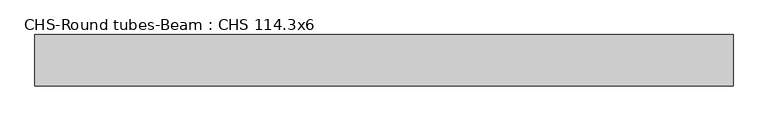
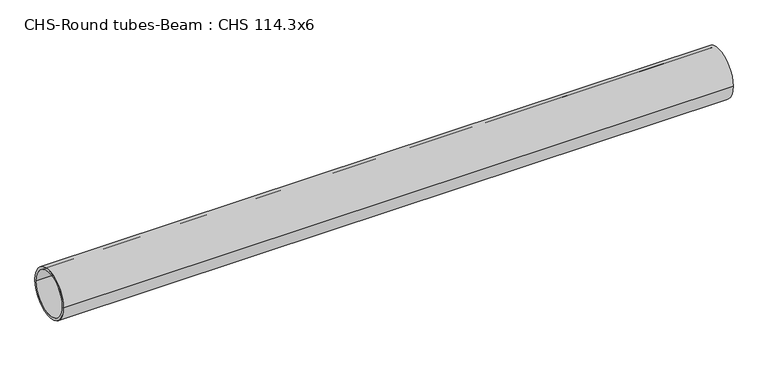
"""IFC4 building model written with IfcOpenShell, lengths in millimetres: beam geometry, CHS-Round tubes-Beam : CHS 114.3x6."""

from ifc_helpers import new_model, si_unit, point, frame, origin, origin_2d, place, context, project, spatial, circle_curve, trimmed, segment, composite_curve, outline, extrude, source, transform, mapped, element, save


def chs_round_tubes_beam_chs_114_3x6_023cf645(model_context):
    return source(origin(), model_context, "Body", "SweptSolid", [
        extrude(outline(composite_curve([segment(trimmed(circle_curve(origin_2d(), 57.15), [point((57.15, 0.0))], [point((-57.15, 0.0))], False, "CARTESIAN"), True, "CONTINUOUS"), segment(trimmed(circle_curve(origin_2d(), 57.15), [point((-57.15, 0.0))], [point((57.15, 0.0))], False, "CARTESIAN"), True, "CONTINUOUS")], self_intersect=False), holes=[composite_curve([segment(trimmed(circle_curve(origin_2d(), 51.15), [point((51.15, 0.0))], [point((-51.15, 0.0))], True, "CARTESIAN"), True, "CONTINUOUS"), segment(trimmed(circle_curve(origin_2d(), 51.15), [point((-51.15, 0.0))], [point((51.15, 0.0))], True, "CARTESIAN"), True, "CONTINUOUS")], self_intersect=False)]), frame((-749.3385784, 0.0, 0.0), z_axis=(1.0, 0.0, 0.0), x_axis=(0.0, 1.0, 0.0)), (0.0, 0.0, 1.0), 1553.4484604),
    ])


if __name__ == "__main__":
    model = new_model("IFC4")
    model_context = context("Model", 3, world=origin())
    ifc_project = project(units=[si_unit("LENGTHUNIT", "METRE", prefix="MILLI")], contexts=[model_context])
    site = spatial("IfcSite", under=ifc_project)
    building = spatial("IfcBuilding", under=site)
    placement = place(None, origin())
    chs_round_tubes_beam_chs_114_3x6_shape = chs_round_tubes_beam_chs_114_3x6_023cf645(model_context)
    element("IfcBeam", 1, ObjectType="CHS-Round tubes-Beam : CHS 114.3x6", at=placement, inside=building, context=model_context, shape_type="MappedRepresentation", body=[
        mapped(chs_round_tubes_beam_chs_114_3x6_shape, transform((0.0, 0.0, 0.0), x_axis=(1.0, 0.0, 0.0), y_axis=(0.0, 1.0, 0.0), z_axis=(0.0, 0.0, 1.0))),
    ])
    save(model, "model.ifc")
